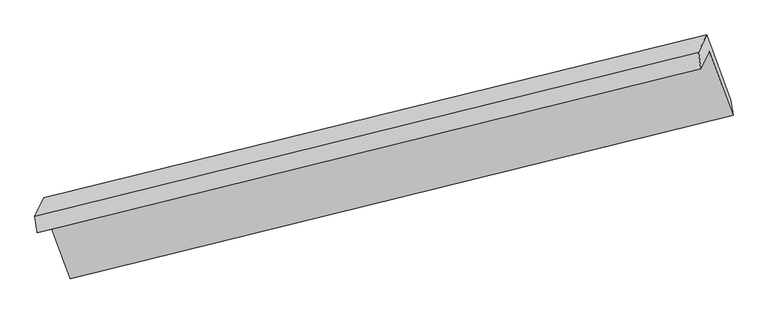
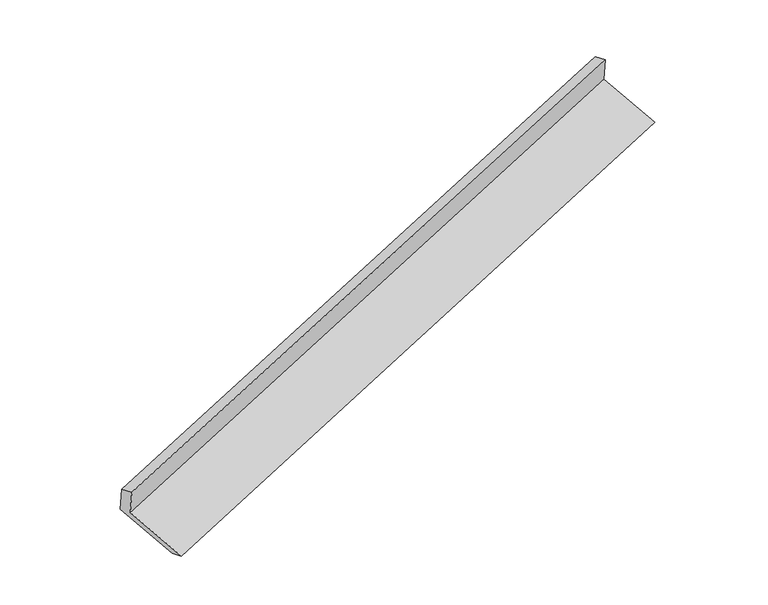
"""IFC4 building model written with IfcOpenShell, lengths in millimetres: proxy geometry."""

from ifc_helpers import new_model, si_unit, origin, place, context, project, spatial, faceted_brep, source, transform, mapped, element, save


def generic_models_af37a77e(model_context):
    return source(origin(), model_context, "Body", "Brep", [
        faceted_brep([(-5962.4335043, -2232.2682067, 1281.0607747), (-5883.0642352, -2064.0220405, 916.750024), (88.7436943, -597.1081645, 2895.2276407), (14.2251579, -755.0717973, 3237.2731742), (-5982.964171, -2081.0599518, 1230.6075482), (-6.3055089, -603.8635424, 3186.8199476), (-5905.5035049, -1916.8596225, 875.0574244), (66.3044247, -449.9457465, 2853.5350411), (-5684.8686337, -2508.8647019, 649.7251872), (285.2946425, -1037.5379098, 2629.8824724), (-5665.9113999, -2646.6841593, 694.9739559), (304.2518763, -1175.3573671, 2675.1312411)], [[[0, 1, 2, 3]], [[4, 0, 3, 5]], [[6, 4, 5, 7]], [[8, 6, 7, 9]], [[10, 8, 9, 11]], [[1, 10, 11, 2]], [[9, 7, 5, 3, 2, 11]], [[1, 0, 4, 6, 8, 10]]]),
    ])


if __name__ == "__main__":
    model = new_model("IFC4")
    model_context = context("Model", 3, world=origin())
    ifc_project = project(units=[si_unit("LENGTHUNIT", "METRE", prefix="MILLI")], contexts=[model_context])
    site = spatial("IfcSite", under=ifc_project)
    building = spatial("IfcBuilding", under=site)
    placement = place(None, origin())
    generic_models_shape = generic_models_af37a77e(model_context)
    element("IfcBuildingElementProxy", 1, Name="Generic Models", at=placement, inside=building, context=model_context, shape_type="MappedRepresentation", body=[
        mapped(generic_models_shape, transform((0.0, 0.0, 0.0), x_axis=(1.0, 0.0, 0.0), y_axis=(0.0, 1.0, 0.0), z_axis=(0.0, 0.0, 1.0))),
    ])
    save(model, "model.ifc")
